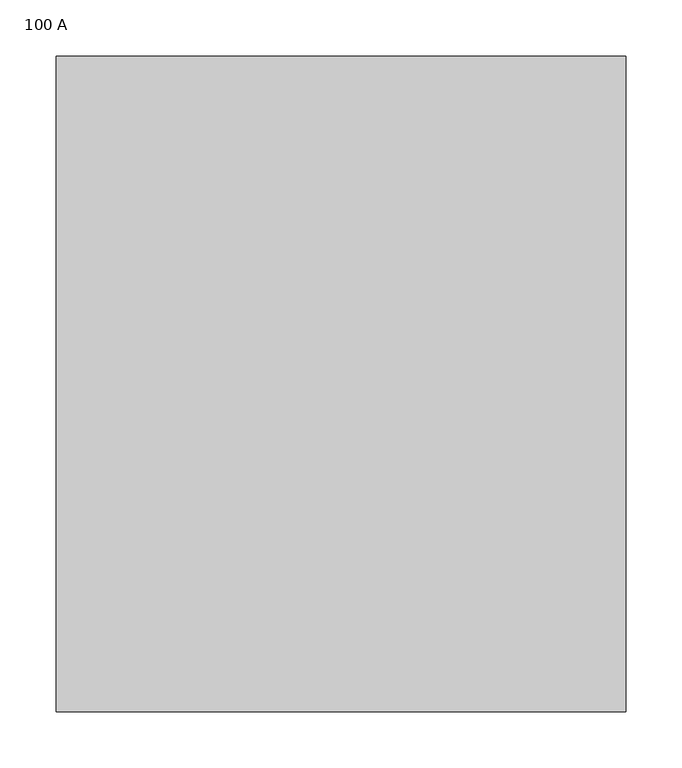
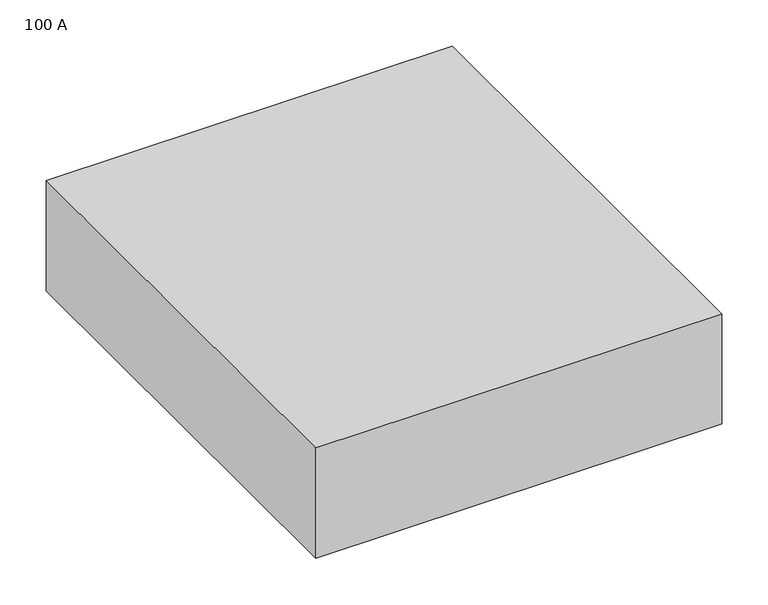
"""IFC4 building model written with IfcOpenShell, lengths in millimetres: proxy geometry, 100 A."""

from ifc_helpers import new_model, si_unit, frame, origin, place, context, project, spatial, polyline, outline, extrude, source, transform, mapped, element, save


def proxy_100_a_c83ea890(model_context):
    return source(origin(), model_context, "Body", "SweptSolid", [
        extrude(outline(polyline([(254.0, -292.1), (-254.0, -292.1), (-254.0, 292.1), (254.0, 292.1), (254.0, -292.1)])), frame((0.0, 0.0, -146.05), z_axis=(0.0, 0.0, 1.0), x_axis=(1.0, 0.0, 0.0)), (0.0, 0.0, 1.0), 146.05),
    ])


if __name__ == "__main__":
    model = new_model("IFC4")
    model_context = context("Model", 3, world=origin())
    ifc_project = project(units=[si_unit("LENGTHUNIT", "METRE", prefix="MILLI")], contexts=[model_context])
    site = spatial("IfcSite", under=ifc_project)
    building = spatial("IfcBuilding", under=site)
    placement = place(None, origin())
    proxy_100_a_shape = proxy_100_a_c83ea890(model_context)
    element("IfcBuildingElementProxy", 1, Name="100 A", ObjectType="100 A", at=placement, inside=building, context=model_context, shape_type="MappedRepresentation", body=[
        mapped(proxy_100_a_shape, transform((0.0, 0.0, 0.0), x_axis=(1.0, 0.0, 0.0), y_axis=(0.0, 1.0, 0.0), z_axis=(0.0, 0.0, 1.0))),
    ])
    save(model, "model.ifc")
